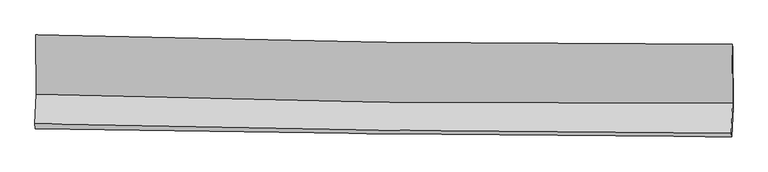
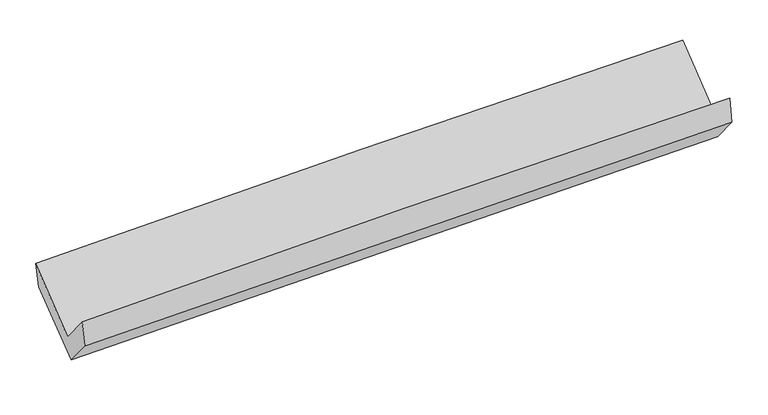
"""IFC4 building model written with IfcOpenShell, lengths in millimetres: proxy geometry."""

from ifc_helpers import new_model, si_unit, frame, origin, place, context, project, spatial, source, transform, mapped, element, save
from ifc_brep_helpers import plane_surface, spline_curve, spline_surface, advanced_brep


def generic_models_303cbf8e(model_context):
    return source(origin(), model_context, "Body", "AdvancedBrep", [
        advanced_brep(
        [(-3029.2471318, -1157.528441, 2162.0429592), (-3024.9238745, -1672.222411, 1740.1901843), (3015.5927075, -1748.2761542, 1894.936702), (3011.937783, -1237.0423372, 2320.2636178), (-3035.4339536, -1929.462154, 2049.2965147), (3004.8190747, -2011.9665135, 2211.79427), (-3030.813308, -1972.5637672, 1839.2183002), (3009.6069518, -2041.9701827, 1993.100458), (-3020.7739484, -1726.8451319, 1543.9560488), (3019.907574, -1789.8570081, 1690.1543528), (-3024.6512379, -1198.8315825, 1953.8345925), (3016.8724762, -1269.7565865, 2093.9163454)],
        [
            (0, 1),
            (1, 2, spline_curve(3, [(-3024.9238745, -1672.222411, 1740.1901843), (-2018.726591388, -1704.354583353, 1784.549917827), (-1012.171977292, -1726.757945928, 1819.625898802), (1001.333775665, -1752.103047102, 1871.202205852), (2008.284688815, -1755.050932164, 1887.708397369), (3015.5927075, -1748.2761542, 1894.936702)], [4, 2, 4], [0.0, 9.916313174559475, 19.82949325453744])),
            (2, 3),
            (3, 0, spline_curve(3, [(3011.937783, -1237.0423372, 2320.2636178), (2004.462445366, -1240.171555416, 2317.118138004), (997.372182861, -1235.112347567, 2302.364261232), (-1016.35636569, -1208.612892273, 2249.63138048), (-2022.994407903, -1187.167468108, 2211.645037958), (-3029.2471318, -1157.528441, 2162.0429592)], [4, 2, 4], [0.0, 9.913180079977964, 19.82949325453744])),
            (1, 4),
            (4, 5, spline_curve(3, [(-3035.4339536, -1929.462154, 2049.2965147), (-2029.266016231, -1951.436739846, 2099.995430666), (-1022.748042308, -1969.299833226, 2138.88664237), (990.669854962, -1996.798688507, 2193.045100699), (1997.569557035, -2006.437048613, 2208.319807207), (3004.8190747, -2011.9665135, 2211.79427)], [4, 2, 4], [0.0, 9.915500973153662, 19.82786910834375])),
            (5, 2),
            (4, 6),
            (6, 7, spline_curve(3, [(-3030.813308, -1972.5637672, 1839.2183002), (-2024.181561961, -1989.056145651, 1871.717704662), (-1017.417779787, -2003.086728134, 1900.792404885), (996.055723456, -2026.220644267, 1952.084293907), (2002.765361619, -2035.325533917, 1974.303645953), (3009.6069518, -2041.9701827, 1993.100458)], [4, 2, 4], [0.0, 9.914823836864773, 19.826515049709602])),
            (7, 5),
            (6, 8),
            (8, 9, spline_curve(3, [(-3020.7739484, -1726.8451319, 1543.9560488), (-2014.098665404, -1742.271922294, 1575.175013087), (-1007.291339504, -1755.236748151, 1602.969071531), (1006.269251412, -1776.239151232, 1651.699675348), (2013.022433104, -1784.278284277, 1672.638385427), (3019.907574, -1789.8570081, 1690.1543528)], [4, 2, 4], [0.0, 9.914360190903547, 19.82558790427775])),
            (9, 7),
            (8, 10),
            (10, 11, spline_curve(3, [(-3024.6512379, -1198.8315825, 1953.8345925), (-2017.815014052, -1215.5772069, 1984.034836919), (-1010.857025645, -1229.860981118, 2010.809741817), (1002.984288999, -1253.501093703, 2057.501495404), (2009.867539, -1262.858987481, 2077.420507974), (3016.8724762, -1269.7565865, 2093.9163454)], [4, 2, 4], [0.0, 9.915004178580835, 19.826875676162118])),
            (11, 9),
            (10, 0),
            (3, 11),
        ],
        [
            spline_surface(3, 3, [[(-3029.2471318, -1157.528441, 2162.0429592), (-2022.994407879, -1187.167468162, 2211.645037999), (-1016.356365598, -1208.612892283, 2249.631380529), (997.372182769, -1235.112347556, 2302.364261183), (2004.462445448, -1240.171555533, 2317.118138131), (3011.937783, -1237.0423372, 2320.2636178)], [(-3027.806046036, -1329.093097668, 2021.425367589), (-2021.571802426, -1359.563173254, 2069.279998001), (-1014.961569507, -1381.327910197, 2106.296219975), (998.692713767, -1407.442580705, 2158.643576087), (2005.73652661, -1411.798014414, 2173.981557928), (3013.156091168, -1407.453609529, 2178.487979199)], [(-3026.364960264, -1500.657754332, 1880.807775911), (-2020.149196963, -1531.958878341, 1926.914957937), (-1013.566773449, -1554.042928112, 1962.961059367), (1000.013244732, -1579.772813856, 2014.922890938), (2007.010607769, -1583.424473306, 2030.844977728), (3014.374399332, -1577.864881871, 2036.712340601)], [(-3024.9238745, -1672.222411, 1740.1901843), (-2018.72659151, -1704.354583433, 1784.549917939), (-1012.171977358, -1726.757946025, 1819.625898813), (1001.333775731, -1752.103047005, 1871.202205841), (2008.28468893, -1755.050932187, 1887.708397525), (3015.5927075, -1748.2761542, 1894.936702)]], [4, 4], [4, 2, 4], [0.0, 2.2088984254421726], [0.0, 9.916313174559475, 19.82949325453744]),
            spline_surface(3, 3, [[(-3024.9238745, -1672.222411, 1740.1901843), (-2018.72659151, -1704.354583433, 1784.549917939), (-1012.171977358, -1726.757946025, 1819.625898813), (1001.333775731, -1752.103047005, 1871.202205841), (2008.28468893, -1755.050932187, 1887.708397525), (3015.5927075, -1748.2761542, 1894.936702)], [(-3028.4272342, -1757.968992, 1843.225627756), (-2022.239733077, -1786.715302293, 1889.698422146), (-1015.697332336, -1807.605241716, 1926.046146661), (997.779135471, -1833.668260869, 1978.483170756), (2004.712978336, -1838.846304374, 1994.578867417), (3012.001496563, -1836.17294066, 2000.555891308)], [(-3031.9305939, -1843.715573, 1946.261071244), (-2025.752874643, -1869.076021151, 1994.846926386), (-1019.222687316, -1888.452537425, 2032.466394571), (994.224495209, -1915.233474752, 2085.764135734), (2001.141267752, -1922.641676481, 2101.449337384), (3008.410285637, -1924.06972704, 2106.175080692)], [(-3035.4339536, -1929.462154, 2049.2965147), (-2029.266016211, -1951.436740011, 2099.995430594), (-1022.748042295, -1969.299833116, 2138.88664242), (990.669854949, -1996.798688617, 2193.045100649), (1997.569557157, -2006.437048668, 2208.319807276), (3004.8190747, -2011.9665135, 2211.79427)]], [4, 4], [4, 2, 4], [0.0, 1.3213923393993043], [0.0, 9.915500973153662, 19.82786910834375]),
            spline_surface(3, 3, [[(-3035.4339536, -1929.462154, 2049.2965147), (-2029.266016211, -1951.436740011, 2099.995430594), (-1022.748042295, -1969.299833116, 2138.88664242), (990.669854949, -1996.798688617, 2193.045100649), (1997.569557157, -2006.437048668, 2208.319807276), (3004.8190747, -2011.9665135, 2211.79427)], [(-3033.893738413, -1943.829358408, 1979.270443194), (-2027.571198088, -1963.976541937, 2023.902855236), (-1020.97128813, -1980.562131408, 2059.521896611), (992.46514448, -2006.606007226, 2112.724831717), (1999.301491925, -2016.066543799, 2130.314420191), (3006.415033722, -2021.967736571, 2138.896332683)], [(-3032.353523187, -1958.196562792, 1909.244371706), (-2025.876379927, -1976.516343837, 1947.810279895), (-1019.194534002, -1991.824429682, 1980.157150775), (994.260433974, -2016.413325818, 2032.404562758), (2001.033426727, -2025.696038917, 2052.309033058), (3008.010992778, -2031.968959629, 2065.998395317)], [(-3030.813308, -1972.5637672, 1839.2183002), (-2024.181561804, -1989.056145763, 1871.717704537), (-1017.417779837, -2003.086727974, 1900.792404967), (996.055723506, -2026.220644427, 1952.084293825), (2002.765361495, -2035.325534048, 1974.303645972), (3009.6069518, -2041.9701827, 1993.100458)]], [4, 4], [4, 2, 4], [0.0, 0.7928562748412847], [0.0, 9.914823836864773, 19.826515049709602]),
            spline_surface(3, 3, [[(-3030.813308, -1972.5637672, 1839.2183002), (-2024.181561804, -1989.056145763, 1871.717704537), (-1017.417779837, -2003.086727974, 1900.792404967), (996.055723506, -2026.220644427, 1952.084293825), (2002.765361495, -2035.325534048, 1974.303645972), (3009.6069518, -2041.9701827, 1993.100458)], [(-3027.466854786, -1890.657555427, 1740.797549736), (-2020.820596298, -1906.794737956, 1772.870140776), (-1014.042299744, -1920.470067983, 1801.517960439), (999.460232773, -1942.893480035, 1851.956087722), (2006.18438535, -1951.643117473, 1873.748559103), (3013.040492534, -1957.93245783, 1892.118422938)], [(-3024.120401614, -1808.751343673, 1642.376799264), (-2017.459630832, -1824.533330167, 1674.022577007), (-1010.666819572, -1837.853408058, 1702.243515901), (1002.86474212, -1859.566315708, 1751.827881609), (2009.603409203, -1867.96070091, 1773.19347222), (3016.474033266, -1873.89473297, 1791.136387862)], [(-3020.7739484, -1726.8451319, 1543.9560488), (-2014.098665326, -1742.271922359, 1575.175013246), (-1007.29133948, -1755.236748067, 1602.969071373), (1006.269251388, -1776.239151317, 1651.699675506), (2013.022433057, -1784.278284335, 1672.638385351), (3019.907574, -1789.8570081, 1690.1543528)]], [4, 4], [4, 2, 4], [0.0, 1.2771077583470887], [0.0, 9.914360190903547, 19.82558790427775]),
            spline_surface(3, 3, [[(-3020.7739484, -1726.8451319, 1543.9560488), (-2014.098665326, -1742.271922359, 1575.175013246), (-1007.29133948, -1755.236748067, 1602.969071373), (1006.269251388, -1776.239151317, 1651.699675506), (2013.022433057, -1784.278284335, 1672.638385351), (3019.907574, -1789.8570081, 1690.1543528)], [(-3022.066378243, -1550.840615442, 1680.582230034), (-2015.337448248, -1566.707017221, 1711.461621152), (-1008.47990157, -1580.111492431, 1738.91596155), (1005.174263996, -1601.993132124, 1786.9669488), (2011.970801698, -1610.471852061, 1807.565759583), (3018.895874747, -1616.490200902, 1824.74168366)], [(-3023.358808057, -1374.836098958, 1817.208411266), (-2016.576231141, -1391.142112058, 1847.748229055), (-1009.668463714, -1404.986236756, 1874.862851692), (1004.079276551, -1427.747112894, 1922.23422206), (2010.919170296, -1436.665419782, 1942.493133835), (3017.884175453, -1443.123393698, 1959.32901454)], [(-3024.6512379, -1198.8315825, 1953.8345925), (-2017.815014064, -1215.57720692, 1984.034836962), (-1010.857025805, -1229.860981119, 2010.809741868), (1002.984289159, -1253.501093702, 2057.501495353), (2009.867538936, -1262.858987508, 2077.420508067), (3016.8724762, -1269.7565865, 2093.9163454)]], [4, 4], [4, 2, 4], [0.0, 2.1766378763690577], [0.0, 9.915004178580835, 19.826875676162118]),
            spline_surface(3, 3, [[(-3024.6512379, -1198.8315825, 1953.8345925), (-2017.815014064, -1215.57720692, 1984.034836962), (-1010.857025805, -1229.860981119, 2010.809741868), (1002.984289159, -1253.501093702, 2057.501495353), (2009.867538936, -1262.858987508, 2077.420508067), (3016.8724762, -1269.7565865, 2093.9163454)], [(-3026.183202521, -1185.063868655, 2023.237381391), (-2019.541478657, -1206.107293989, 2059.904903965), (-1012.690139085, -1222.778284851, 2090.416954734), (1001.113587013, -1247.371511663, 2139.122417276), (2008.065841106, -1255.296510158, 2157.319718101), (3015.227578467, -1258.851836708, 2169.365436212)], [(-3027.715167179, -1171.296154845, 2092.640170309), (-2021.267943286, -1196.637381094, 2135.774970996), (-1014.523252318, -1215.695588552, 2170.024167663), (999.242884915, -1241.241929595, 2220.743339261), (2006.264143277, -1247.734032883, 2237.218928097), (3013.582680733, -1247.947086992, 2244.814526988)], [(-3029.2471318, -1157.528441, 2162.0429592), (-2022.994407879, -1187.167468162, 2211.645037999), (-1016.356365598, -1208.612892283, 2249.631380529), (997.372182769, -1235.112347556, 2302.364261183), (2004.462445448, -1240.171555533, 2317.118138131), (3011.937783, -1237.0423372, 2320.2636178)]], [4, 4], [4, 2, 4], [0.0, 0.796310886780053], [0.0, 9.91619159859591, 19.82925014102267]),
            plane_surface(frame((3013.1227612, -1683.144797, 2034.0276243), z_axis=(0.9996435438908755, -0.012486206284546962, 0.023598300996279194), x_axis=(-0.004609559190582192, 0.7899032813370835, 0.6132141209210505))),
            plane_surface(frame((-3027.6405757, -1609.5755813, 1881.4230999), z_axis=(-0.9996362824126251, 0.011569839570135833, -0.024360658788051694), x_axis=(0.021646548320289772, -0.19453679210447294, -0.9806563432026117))),
        ],
        [
            (0, [[1, 2, 3, 4]]),
            (1, [[5, 6, 7, -2]]),
            (2, [[8, 9, 10, -6]]),
            (3, [[11, 12, 13, -9]]),
            (4, [[14, 15, 16, -12]]),
            (5, [[17, -4, 18, -15]]),
            (6, [[-16, -18, -3, -7, -10, -13]]),
            (7, [[-17, -14, -11, -8, -5, -1]]),
        ],
    ),
    ])


if __name__ == "__main__":
    model = new_model("IFC4")
    model_context = context("Model", 3, world=origin())
    ifc_project = project(units=[si_unit("LENGTHUNIT", "METRE", prefix="MILLI")], contexts=[model_context])
    site = spatial("IfcSite", under=ifc_project)
    building = spatial("IfcBuilding", under=site)
    placement = place(None, origin())
    generic_models_shape = generic_models_303cbf8e(model_context)
    element("IfcBuildingElementProxy", 1, Name="Generic Models", at=placement, inside=building, context=model_context, shape_type="MappedRepresentation", body=[
        mapped(generic_models_shape, transform((0.0, 0.0, 0.0), x_axis=(1.0, 0.0, 0.0), y_axis=(0.0, 1.0, 0.0), z_axis=(0.0, 0.0, 1.0))),
    ])
    save(model, "model.ifc")
